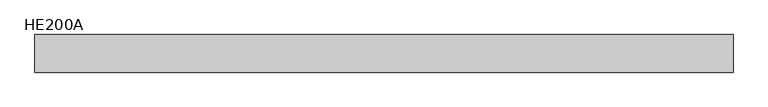
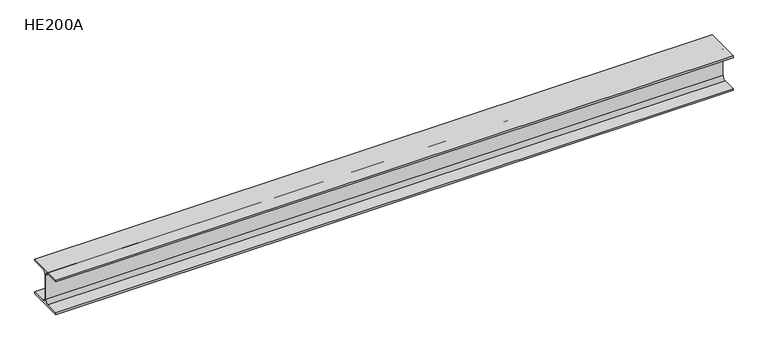
"""IFC4 building model written with IfcOpenShell, lengths in millimetres: beam geometry, HE200A."""

from ifc_helpers import new_model, si_unit, point, frame, frame_2d, origin, place, context, project, spatial, polyline, circle_curve, trimmed, segment, composite_curve, outline, extrude, source, transform, mapped, element, save


def he200a_c0c166f0(model_context):
    return source(origin(), model_context, "Body", "SweptSolid", [
        extrude(outline(composite_curve([segment(polyline([(100.0, -90.0), (100.0, -100.0), (-100.0, -100.0), (-100.0, -90.0), (-24.0, -90.0)]), True, "CONTINUOUS"), segment(trimmed(circle_curve(frame_2d((-24.0, -70.0)), 20.0), [point((-24.0, -90.0))], [point((-4.0, -70.0))], True, "CARTESIAN"), True, "CONTINUOUS"), segment(polyline([(-4.0, -70.0), (-4.0, 70.0)]), True, "CONTINUOUS"), segment(trimmed(circle_curve(frame_2d((-24.0, 70.0)), 20.0), [point((-4.0, 70.0))], [point((-24.0, 90.0))], True, "CARTESIAN"), True, "CONTINUOUS"), segment(polyline([(-24.0, 90.0), (-100.0, 90.0), (-100.0, 100.0), (100.0, 100.0), (100.0, 90.0), (24.0, 90.0)]), True, "CONTINUOUS"), segment(trimmed(circle_curve(frame_2d((24.0, 70.0)), 20.0), [point((24.0, 90.0))], [point((4.0, 70.0))], True, "CARTESIAN"), True, "CONTINUOUS"), segment(polyline([(4.0, 70.0), (4.0, -70.0)]), True, "CONTINUOUS"), segment(trimmed(circle_curve(frame_2d((24.0, -70.0)), 20.0), [point((4.0, -70.0))], [point((24.0, -90.0))], True, "CARTESIAN"), True, "CONTINUOUS"), segment(polyline([(24.0, -90.0), (100.0, -90.0)]), True, "CONTINUOUS")], self_intersect=False)), frame((-1908.5, 0.0, 0.0), z_axis=(1.0, 0.0, 0.0), x_axis=(0.0, 1.0, 0.0)), (0.0, 0.0, 1.0), 3707.0),
    ])


if __name__ == "__main__":
    model = new_model("IFC4")
    model_context = context("Model", 3, world=origin())
    ifc_project = project(units=[si_unit("LENGTHUNIT", "METRE", prefix="MILLI")], contexts=[model_context])
    site = spatial("IfcSite", under=ifc_project)
    building = spatial("IfcBuilding", under=site)
    placement = place(None, origin())
    he200a_shape = he200a_c0c166f0(model_context)
    element("IfcBeam", 1, ObjectType="HE200A", at=placement, inside=building, context=model_context, shape_type="MappedRepresentation", body=[
        mapped(he200a_shape, transform((0.0, 0.0, 0.0), x_axis=(1.0, 0.0, 0.0), y_axis=(0.0, 1.0, 0.0), z_axis=(0.0, 0.0, 1.0))),
    ])
    save(model, "model.ifc")
